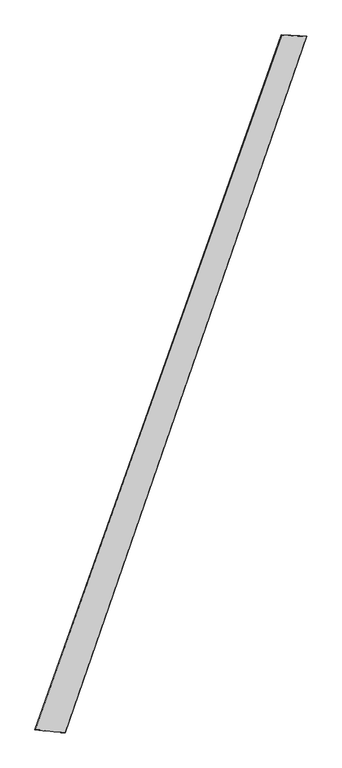
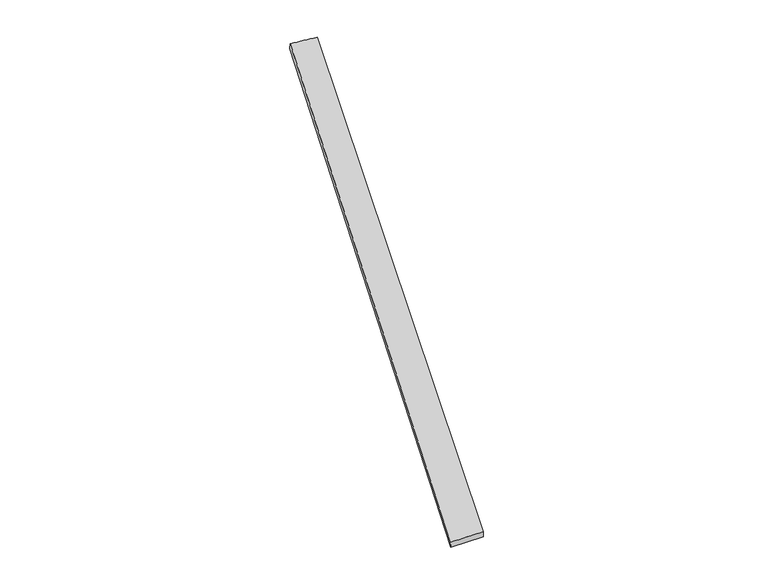
"""IFC4 building model written with IfcOpenShell, lengths in millimetres: proxy geometry."""

from ifc_helpers import new_model, si_unit, origin, place, context, project, spatial, source, transform, mapped, element, save
from ifc_brep_helpers import spline_surface, advanced_brep


def generic_models_e58380af(model_context):
    return source(origin(), model_context, "Body", "AdvancedBrep", [
        advanced_brep(
        [(-718.1563726, -1819.3294773, -3.7531915), (-720.0318135, -1818.7276475, 26.1820807), (709.9989022, 2210.0033138, 34.2646322), (706.6480077, 2211.2486828, 4.4783844), (-543.7539776, -1834.0888233, 33.7413177), (854.9390911, 2202.4037501, 25.524337), (-543.1345446, -1834.3644025, 3.7489794), (854.6429096, 2202.445197, -4.4741722)],
        [
            (0, 1),
            (1, 2),
            (2, 3),
            (3, 0),
            (1, 4),
            (4, 5),
            (5, 2),
            (4, 6),
            (6, 7),
            (7, 5),
            (6, 0),
            (3, 7),
        ],
        [
            spline_surface(1, 1, [[(-718.1563726, -1819.3294773, -3.7531915), (706.6480077, 2211.2486828, 4.4783844)], [(-720.0318135, -1818.7276475, 26.1820807), (709.9989022, 2210.0033138, 34.2646322)]], [2, 2], [2, 2], [0.0, 1.0], [0.0, 1.0]),
            spline_surface(1, 1, [[(-720.0318135, -1818.7276475, 26.1820807), (709.9989022, 2210.0033138, 34.2646322)], [(-543.7539776, -1834.0888233, 33.7413177), (854.9390911, 2202.4037501, 25.524337)]], [2, 2], [2, 2], [0.0, 1.0], [0.0, 1.0]),
            spline_surface(1, 1, [[(-543.7539776, -1834.0888233, 33.7413177), (854.9390911, 2202.4037501, 25.524337)], [(-543.1345446, -1834.3644025, 3.7489794), (854.6429096, 2202.445197, -4.4741722)]], [2, 2], [2, 2], [0.0, 1.0], [0.0, 1.0]),
            spline_surface(1, 1, [[(-543.1345446, -1834.3644025, 3.7489794), (854.6429096, 2202.445197, -4.4741722)], [(-718.1563726, -1819.3294773, -3.7531915), (706.6480077, 2211.2486828, 4.4783844)]], [2, 2], [2, 2], [0.0, 1.0], [0.0, 1.0]),
            spline_surface(1, 1, [[(709.9989022, 2210.0033138, 34.2646322), (706.6480077, 2211.2486828, 4.4783844)], [(854.9390911, 2202.4037501, 25.524337), (854.6429096, 2202.445197, -4.4741722)]], [2, 2], [2, 2], [0.0, 1.0], [0.0, 1.0]),
            spline_surface(1, 1, [[(-543.1345446, -1834.3644025, 3.7489794), (-718.1563726, -1819.3294773, -3.7531915)], [(-543.7539776, -1834.0888233, 33.7413177), (-720.0318135, -1818.7276475, 26.1820807)]], [2, 2], [2, 2], [0.0, 1.0], [0.0, 1.0]),
        ],
        [
            (0, [[1, 2, 3, 4]]),
            (1, [[5, 6, 7, -2]]),
            (2, [[8, 9, 10, -6]]),
            (3, [[11, -4, 12, -9]]),
            (4, [[-3, -7, -10, -12]]),
            (5, [[-11, -8, -5, -1]]),
        ],
    ),
    ])


if __name__ == "__main__":
    model = new_model("IFC4")
    model_context = context("Model", 3, world=origin())
    ifc_project = project(units=[si_unit("LENGTHUNIT", "METRE", prefix="MILLI")], contexts=[model_context])
    site = spatial("IfcSite", under=ifc_project)
    building = spatial("IfcBuilding", under=site)
    placement = place(None, origin())
    generic_models_shape = generic_models_e58380af(model_context)
    element("IfcBuildingElementProxy", 1, Name="Generic Models", at=placement, inside=building, context=model_context, shape_type="MappedRepresentation", body=[
        mapped(generic_models_shape, transform((0.0, 0.0, 0.0), x_axis=(1.0, 0.0, 0.0), y_axis=(0.0, 1.0, 0.0), z_axis=(0.0, 0.0, 1.0))),
    ])
    save(model, "model.ifc")
